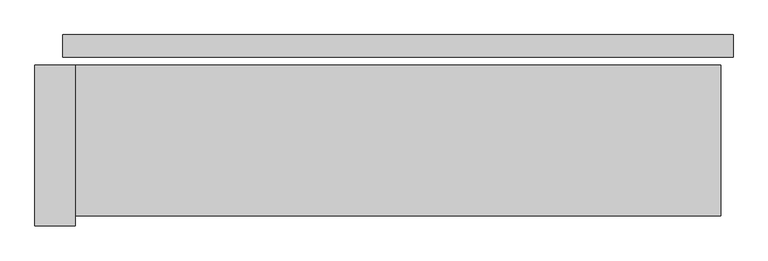
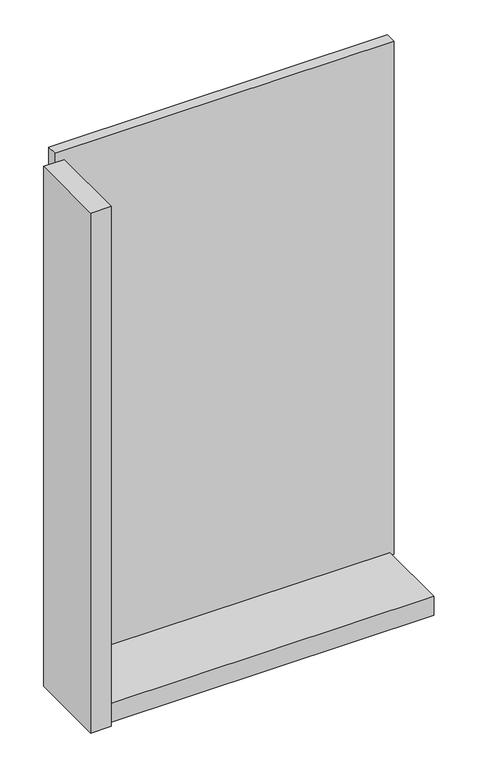
"""IFC4 building model written with IfcOpenShell, lengths in millimetres: plate geometry."""

from ifc_helpers import new_model, si_unit, frame, origin, origin_with_axes, place, context, project, spatial, polyline, outline, extrude, source, transform, mapped, element, save


def plate_e614dd19(model_context):
    return source(origin(), model_context, "Body", "SweptSolid", [
        extrude(outline(polyline([(666.0, 0.0), (666.0, -44.0), (-666.0, -44.0), (-666.0, 0.0), (666.0, 0.0)])), origin_with_axes(), (0.0, 0.0, 1.0), 2132.0),
        extrude(outline(polyline([(-641.0, -60.0), (-641.0, -380.0), (-721.0, -380.0), (-721.0, -60.0), (-641.0, -60.0)])), frame((0.0, 0.0, -55.0), z_axis=(0.0, 0.0, 1.0), x_axis=(1.0, 0.0, 0.0)), (0.0, 0.0, 1.0), 2162.0),
        extrude(outline(polyline([(641.0, -360.0), (-641.0, -360.0), (-641.0, -60.0), (641.0, -60.0), (641.0, -360.0)])), frame((0.0, 0.0, -55.0), z_axis=(0.0, 0.0, 1.0), x_axis=(1.0, 0.0, 0.0)), (0.0, 0.0, 1.0), 80.0),
    ])


if __name__ == "__main__":
    model = new_model("IFC4")
    model_context = context("Model", 3, world=origin())
    ifc_project = project(units=[si_unit("LENGTHUNIT", "METRE", prefix="MILLI")], contexts=[model_context])
    site = spatial("IfcSite", under=ifc_project)
    building = spatial("IfcBuilding", under=site)
    placement = place(None, origin())
    plate_shape = plate_e614dd19(model_context)
    element("IfcPlate", 1, at=placement, inside=building, context=model_context, shape_type="MappedRepresentation", body=[
        mapped(plate_shape, transform((0.0, 0.0, 0.0), x_axis=(1.0, 0.0, 0.0), y_axis=(0.0, 1.0, 0.0), z_axis=(0.0, 0.0, 1.0))),
    ])
    save(model, "model.ifc")
